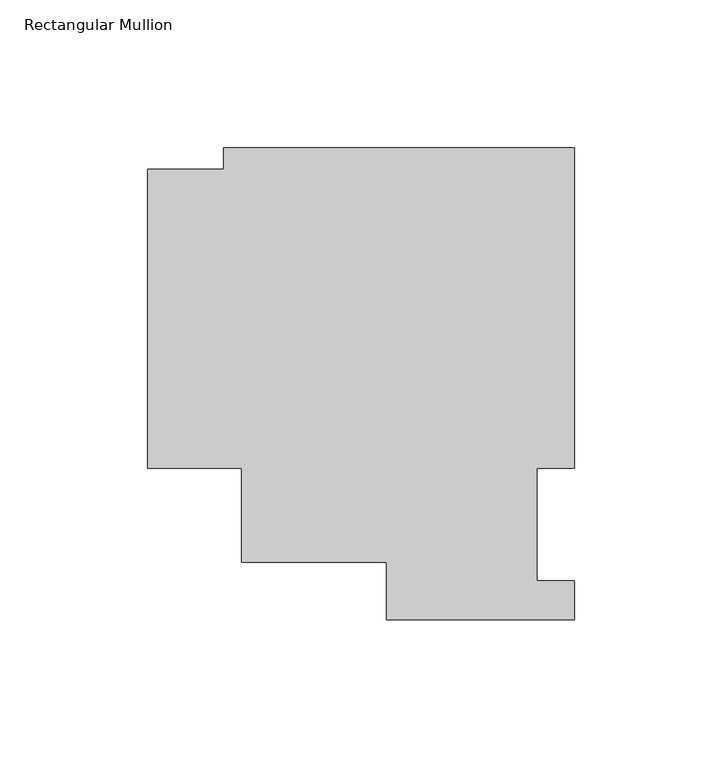
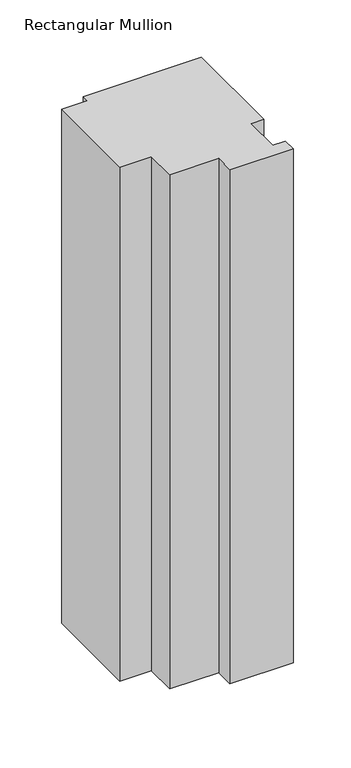
"""IFC4 building model written with IfcOpenShell, lengths in millimetres: member geometry, Rectangular Mullion."""

from ifc_helpers import new_model, si_unit, frame, origin, place, context, project, spatial, polyline, outline, extrude, source, transform, mapped, element, save


def rectangular_mullion_85e69afd(model_context):
    return source(origin(), model_context, "Body", "SweptSolid", [
        extrude(outline(polyline([(-118.6168161, 159.7386332), (0.0127068, 159.7386332), (0.0127068, 51.2960937), (-12.6872932, 51.2960938), (-12.6872932, 13.1960937), (5.7e-06, 13.1960937), (5.7e-06, 0.0134827), (-63.4999943, 0.0134827), (-63.4999943, 19.5430505), (-112.6349142, 19.5430505), (-112.6349142, 51.2930505), (-144.3849142, 51.2930505), (-144.3849142, 152.486655), (-118.6168161, 152.486655), (-118.6168161, 159.7386332)])), frame((0.0, 0.0, -546.1), z_axis=(0.0, 0.0, 1.0), x_axis=(1.0, 0.0, 0.0)), (0.0, 0.0, 1.0), 546.1),
    ])


if __name__ == "__main__":
    model = new_model("IFC4")
    model_context = context("Model", 3, world=origin())
    ifc_project = project(units=[si_unit("LENGTHUNIT", "METRE", prefix="MILLI")], contexts=[model_context])
    site = spatial("IfcSite", under=ifc_project)
    building = spatial("IfcBuilding", under=site)
    placement = place(None, origin())
    rectangular_mullion_shape = rectangular_mullion_85e69afd(model_context)
    element("IfcMember", 1, ObjectType="Rectangular Mullion", at=placement, inside=building, context=model_context, shape_type="MappedRepresentation", body=[
        mapped(rectangular_mullion_shape, transform((0.0, 0.0, 0.0), x_axis=(1.0, 0.0, 0.0), y_axis=(0.0, 1.0, 0.0), z_axis=(0.0, 0.0, 1.0))),
    ])
    save(model, "model.ifc")
